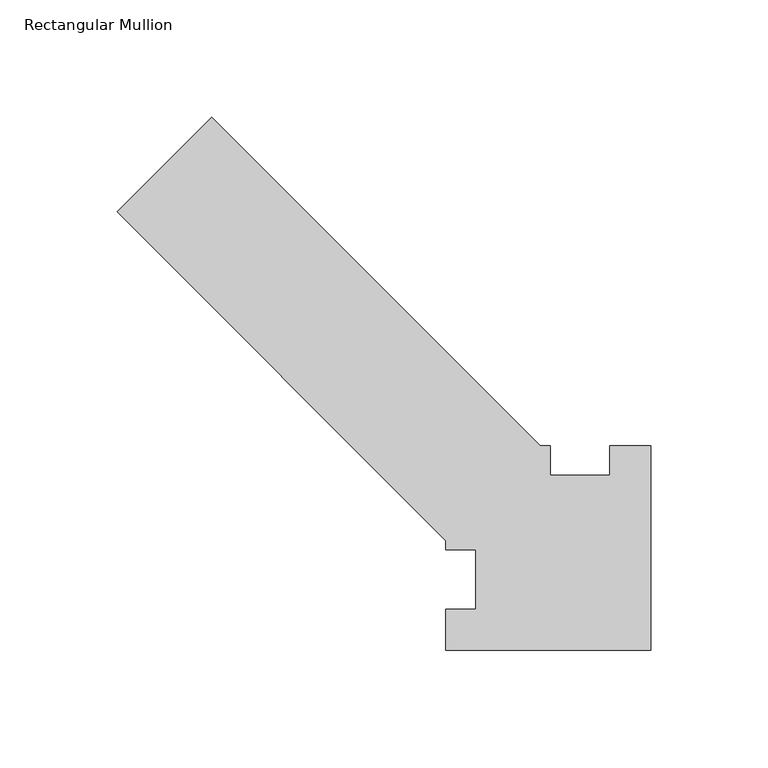
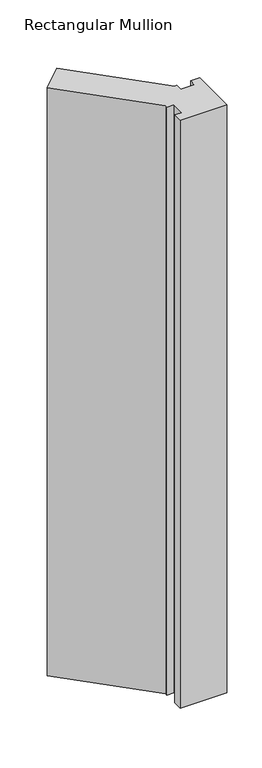
"""IFC4 building model written with IfcOpenShell, lengths in millimetres: member geometry, Rectangular Mullion."""

from ifc_helpers import new_model, si_unit, frame, origin, place, context, project, spatial, polyline, outline, extrude, source, transform, mapped, element, save


def rectangular_mullion_91c5f341(model_context):
    return source(origin(), model_context, "Body", "SweptSolid", [
        extrude(outline(polyline([(-17.4625, 58.7375), (0.0, 58.7375), (0.0, -28.575), (-87.3125, -28.575), (-87.3125, -11.1125), (-74.6125, -11.1125), (-74.6125, 14.2875), (-87.3125, 14.2875), (-87.3125, 18.2221177), (-227.4807452, 158.3903629), (-187.0695926, 198.8015154), (-47.0055772, 58.7375), (-42.8625, 58.7375), (-42.8625, 46.0375), (-17.4625, 46.0375), (-17.4625, 58.7375)])), frame((0.0, 0.0, -1162.05), z_axis=(0.0, 0.0, 1.0), x_axis=(1.0, 0.0, 0.0)), (0.0, 0.0, 1.0), 1162.05),
    ])


if __name__ == "__main__":
    model = new_model("IFC4")
    model_context = context("Model", 3, world=origin())
    ifc_project = project(units=[si_unit("LENGTHUNIT", "METRE", prefix="MILLI")], contexts=[model_context])
    site = spatial("IfcSite", under=ifc_project)
    building = spatial("IfcBuilding", under=site)
    placement = place(None, origin())
    rectangular_mullion_shape = rectangular_mullion_91c5f341(model_context)
    element("IfcMember", 1, ObjectType="Rectangular Mullion", at=placement, inside=building, context=model_context, shape_type="MappedRepresentation", body=[
        mapped(rectangular_mullion_shape, transform((0.0, 0.0, 0.0), x_axis=(1.0, 0.0, 0.0), y_axis=(0.0, 1.0, 0.0), z_axis=(0.0, 0.0, 1.0))),
    ])
    save(model, "model.ifc")
